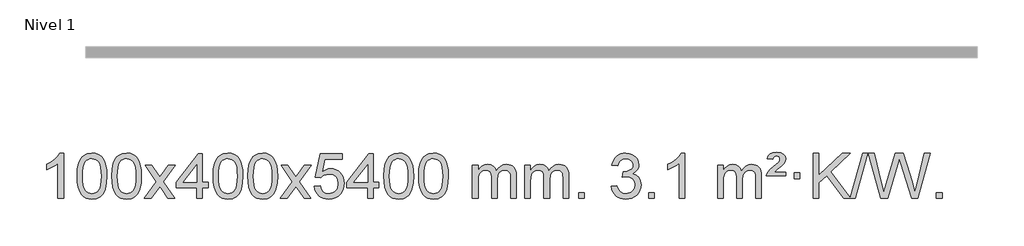
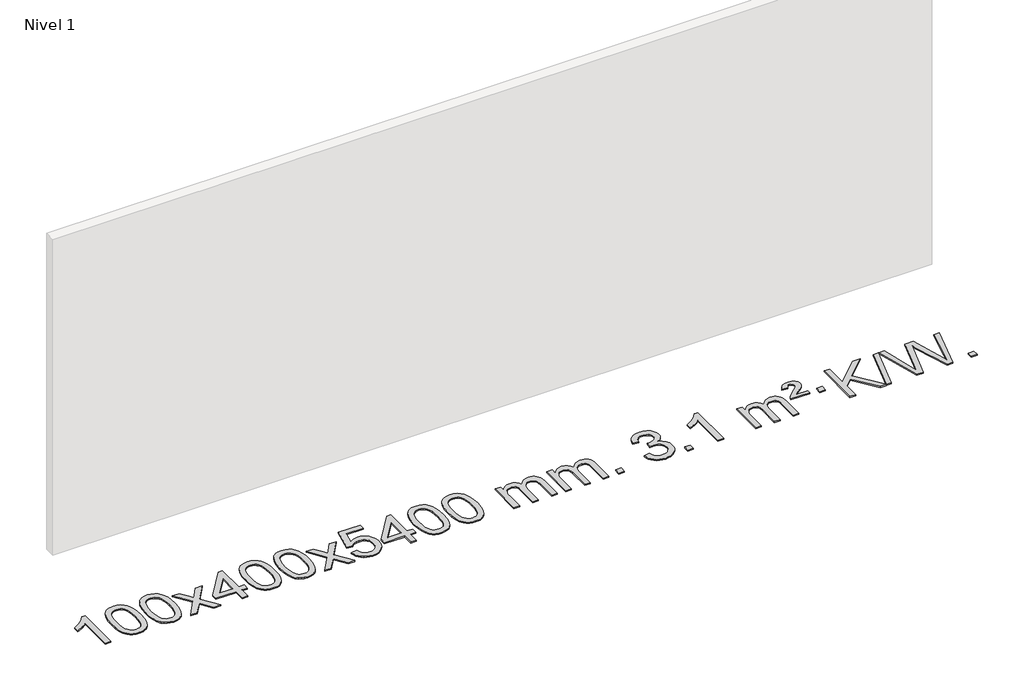
# One storey, part 4 of 18: 1 proxy.
"""IFC4 building model written with IfcOpenShell, lengths in millimetres."""

from ifc_helpers import new_model, si_unit, origin, origin_with_axes, place, context, project, spatial, polyline, outline, extrude, element, save

model = new_model("IFC4")

# Units and contexts
model_context = context("Model", 3, world=origin())
ifc_project = project(units=[si_unit("LENGTHUNIT", "METRE", prefix="MILLI")], contexts=[model_context])

# Site, building, storey
site = spatial("IfcSite", under=ifc_project)
building = spatial("IfcBuilding", under=site)
storey = spatial("IfcBuildingStorey", under=building, Name="Nivel 1", Elevation=0.0)

# Proxy
placement = place(None, origin())
element("IfcBuildingElementProxy", 1, Name="Texto de modelo 1", ObjectType="Texto de modelo 1", at=placement, inside=storey, context=model_context, shape_type="SweptSolid", body=[
    extrude(outline(polyline([(-25875.4615788, -15470.579453), (-25925.6897338, -15470.579453), (-25925.6897338, -15157.4382987), (-25946.6590076, -15174.3976587), (-25973.2691385, -15191.3324932), (-26026.146044, -15216.6918254), (-26026.146044, -15169.2105225), (-25986.6968314, -15147.7507395), (-25952.520594, -15122.219729), (-25925.5793692, -15095.0700378), (-25907.8351943, -15068.7542124), (-25875.4615788, -15068.7542124), (-25875.4615788, -15470.579453)])), origin_with_axes(), (0.0, 0.0, 1.0), 10.0),
    extrude(outline(polyline([(-25756.1697105, -15272.9041943), (-25752.4786278, -15208.5861588), (-25741.4053797, -15157.2911459), (-25723.0603309, -15118.2343407), (-25711.2022679, -15103.0009605), (-25697.5538459, -15090.6309284), (-25682.0690796, -15081.0598651), (-25664.7019837, -15074.2233914), (-25624.3208034, -15068.7542124), (-25593.3696649, -15071.991574), (-25565.6558879, -15081.7036586), (-25542.4793222, -15097.5103217), (-25525.1398175, -15119.0314184), (-25512.0432185, -15146.0830078), (-25501.5953698, -15178.4811488), (-25494.7527647, -15219.6226186), (-25492.4718963, -15272.9041943), (-25496.1261908, -15336.8543477), (-25507.0890743, -15388.0267333), (-25525.3237585, -15427.1203266), (-25537.1542303, -15442.3996922), (-25550.7934553, -15454.8341036), (-25566.2966157, -15464.4695462), (-25583.7188939, -15471.3520052), (-25624.3208034, -15476.8579724), (-25651.9855294, -15474.4667394), (-25676.5109958, -15467.2930405), (-25697.8972024, -15455.3368757), (-25716.1441494, -15438.5982449), (-25733.6553324, -15408.3399508), (-25746.1633202, -15370.6381776), (-25753.6681129, -15325.4929255), (-25756.1697105, -15272.9041943)]), holes=[polyline([(-25705.9415554, -15272.8060924), (-25704.4700274, -15316.4706195), (-25700.0554435, -15351.8148822), (-25692.6978036, -15378.8388804), (-25682.3971077, -15397.5426142), (-25669.9381708, -15410.2682656), (-25656.1058078, -15419.3580165), (-25640.9000186, -15424.8118671), (-25624.3208034, -15426.6298173), (-25607.7415881, -15424.8057357), (-25592.535799, -15419.3334911), (-25578.703436, -15410.2130833), (-25566.2444991, -15397.4445124), (-25555.9438032, -15378.7101217), (-25548.5861633, -15351.6922549), (-25544.1715794, -15316.3909118), (-25542.7000514, -15272.8060924), (-25544.1225284, -15230.2973278), (-25548.3899596, -15195.5753989), (-25555.5023448, -15168.6403055), (-25565.4596842, -15149.4920476), (-25577.7101546, -15136.1440625), (-25591.7019332, -15126.6097875), (-25607.4350198, -15120.8892225), (-25624.9094146, -15118.9823675), (-25641.4027907, -15120.6623619), (-25656.3510624, -15125.7023452), (-25669.7542298, -15134.1023175), (-25681.6122928, -15145.8622786), (-25692.2563452, -15166.708925), (-25699.8592397, -15194.8151094), (-25704.4209765, -15230.1808319), (-25705.9415554, -15272.8060924)])]), origin_with_axes(), (0.0, 0.0, 1.0), 10.0),
    extrude(outline(polyline([(-25448.5222606, -15272.9041943), (-25444.8311779, -15208.5861588), (-25433.7579299, -15157.2911459), (-25415.4128811, -15118.2343407), (-25403.5548181, -15103.0009605), (-25389.9063961, -15090.6309284), (-25374.4216298, -15081.0598651), (-25357.0545339, -15074.2233914), (-25316.6733536, -15068.7542124), (-25285.722215, -15071.991574), (-25258.0084381, -15081.7036586), (-25234.8318724, -15097.5103217), (-25217.4923677, -15119.0314184), (-25204.3957686, -15146.0830078), (-25193.94792, -15178.4811488), (-25187.1053149, -15219.6226186), (-25184.8244465, -15272.9041943), (-25188.478741, -15336.8543477), (-25199.4416244, -15388.0267333), (-25217.6763087, -15427.1203266), (-25229.5067805, -15442.3996922), (-25243.1460055, -15454.8341036), (-25258.6491659, -15464.4695462), (-25276.071444, -15471.3520052), (-25316.6733536, -15476.8579724), (-25344.3380796, -15474.4667394), (-25368.8635459, -15467.2930405), (-25390.2497526, -15455.3368757), (-25408.4966996, -15438.5982449), (-25426.0078825, -15408.3399508), (-25438.5158704, -15370.6381776), (-25446.0206631, -15325.4929255), (-25448.5222606, -15272.9041943)]), holes=[polyline([(-25398.2941056, -15272.8060924), (-25396.8225776, -15316.4706195), (-25392.4079936, -15351.8148822), (-25385.0503537, -15378.8388804), (-25374.7496579, -15397.5426142), (-25362.290721, -15410.2682656), (-25348.4583579, -15419.3580165), (-25333.2525688, -15424.8118671), (-25316.6733536, -15426.6298173), (-25300.0941383, -15424.8057357), (-25284.8883492, -15419.3334911), (-25271.0559862, -15410.2130833), (-25258.5970493, -15397.4445124), (-25248.2963534, -15378.7101217), (-25240.9387135, -15351.6922549), (-25236.5241295, -15316.3909118), (-25235.0526016, -15272.8060924), (-25236.4750786, -15230.2973278), (-25240.7425098, -15195.5753989), (-25247.854895, -15168.6403055), (-25257.8122343, -15149.4920476), (-25270.0627048, -15136.1440625), (-25284.0544833, -15126.6097875), (-25299.78757, -15120.8892225), (-25317.2619648, -15118.9823675), (-25333.7553409, -15120.6623619), (-25348.7036126, -15125.7023452), (-25362.10678, -15134.1023175), (-25373.9648429, -15145.8622786), (-25384.6088953, -15166.708925), (-25392.2117899, -15194.8151094), (-25396.7735266, -15230.1808319), (-25398.2941056, -15272.8060924)])]), origin_with_axes(), (0.0, 0.0, 1.0), 10.0),
    extrude(outline(polyline([(-25159.7103689, -15470.579453), (-25052.3869282, -15322.2494325), (-25153.4318496, -15175.4890419), (-25093.0011005, -15175.4890419), (-25044.2444734, -15246.122385), (-25021.4848406, -15279.4770192), (-25001.7663657, -15252.2047007), (-24946.2407099, -15175.4890419), (-24885.8099608, -15175.4890419), (-24991.9561791, -15322.2494325), (-24889.7340354, -15470.579453), (-24950.1647845, -15470.579453), (-25011.6746541, -15381.4048574), (-25022.9563686, -15365.1199477), (-25099.2796199, -15470.579453), (-25159.7103689, -15470.579453)])), origin_with_axes(), (0.0, 0.0, 1.0), 10.0),
    extrude(outline(polyline([(-24695.0999345, -15470.579453), (-24695.0999345, -15376.4016622), (-24877.1769967, -15376.4016622), (-24877.1769967, -15326.1735072), (-24682.5428957, -15075.0327318), (-24644.8717794, -15075.0327318), (-24644.8717794, -15326.1735072), (-24594.6436244, -15326.1735072), (-24594.6436244, -15376.4016622), (-24644.8717794, -15376.4016622), (-24644.8717794, -15470.579453), (-24695.0999345, -15470.579453)]), holes=[polyline([(-24695.0999345, -15326.1735072), (-24695.0999345, -15170.9763561), (-24815.3728215, -15326.1735072), (-24695.0999345, -15326.1735072)])]), origin_with_axes(), (0.0, 0.0, 1.0), 10.0),
    extrude(outline(polyline([(-24550.6939887, -15272.9041943), (-24547.002906, -15208.5861588), (-24535.9296579, -15157.2911459), (-24517.5846091, -15118.2343407), (-24505.7265461, -15103.0009605), (-24492.0781241, -15090.6309284), (-24476.5933578, -15081.0598651), (-24459.2262619, -15074.2233914), (-24418.8450816, -15068.7542124), (-24387.8939431, -15071.991574), (-24360.1801661, -15081.7036586), (-24337.0036004, -15097.5103217), (-24319.6640957, -15119.0314184), (-24306.5674967, -15146.0830078), (-24296.119648, -15178.4811488), (-24289.2770429, -15219.6226186), (-24286.9961745, -15272.9041943), (-24290.650469, -15336.8543477), (-24301.6133525, -15388.0267333), (-24319.8480367, -15427.1203266), (-24331.6785085, -15442.3996922), (-24345.3177335, -15454.8341036), (-24360.8208939, -15464.4695462), (-24378.2431721, -15471.3520052), (-24418.8450816, -15476.8579724), (-24446.5098076, -15474.4667394), (-24471.035274, -15467.2930405), (-24492.4214806, -15455.3368757), (-24510.6684276, -15438.5982449), (-24528.1796106, -15408.3399508), (-24540.6875984, -15370.6381776), (-24548.1923911, -15325.4929255), (-24550.6939887, -15272.9041943)]), holes=[polyline([(-24500.4658336, -15272.8060924), (-24498.9943056, -15316.4706195), (-24494.5797217, -15351.8148822), (-24487.2220818, -15378.8388804), (-24476.9213859, -15397.5426142), (-24464.462449, -15410.2682656), (-24450.630086, -15419.3580165), (-24435.4242968, -15424.8118671), (-24418.8450816, -15426.6298173), (-24402.2658663, -15424.8057357), (-24387.0600772, -15419.3334911), (-24373.2277142, -15410.2130833), (-24360.7687773, -15397.4445124), (-24350.4680814, -15378.7101217), (-24343.1104415, -15351.6922549), (-24338.6958576, -15316.3909118), (-24337.2243296, -15272.8060924), (-24338.6468066, -15230.2973278), (-24342.9142378, -15195.5753989), (-24350.026623, -15168.6403055), (-24359.9839624, -15149.4920476), (-24372.2344328, -15136.1440625), (-24386.2262114, -15126.6097875), (-24401.959298, -15120.8892225), (-24419.4336928, -15118.9823675), (-24435.9270689, -15120.6623619), (-24450.8753406, -15125.7023452), (-24464.278508, -15134.1023175), (-24476.136571, -15145.8622786), (-24486.7806234, -15166.708925), (-24494.3835179, -15194.8151094), (-24498.9452547, -15230.1808319), (-24500.4658336, -15272.8060924)])]), origin_with_axes(), (0.0, 0.0, 1.0), 10.0),
    extrude(outline(polyline([(-24243.0465388, -15272.9041943), (-24239.3554561, -15208.5861588), (-24228.2822081, -15157.2911459), (-24209.9371593, -15118.2343407), (-24198.0790963, -15103.0009605), (-24184.4306743, -15090.6309284), (-24168.945908, -15081.0598651), (-24151.5788121, -15074.2233914), (-24111.1976318, -15068.7542124), (-24080.2464932, -15071.991574), (-24052.5327163, -15081.7036586), (-24029.3561506, -15097.5103217), (-24012.0166459, -15119.0314184), (-23998.9200468, -15146.0830078), (-23988.4721982, -15178.4811488), (-23981.6295931, -15219.6226186), (-23979.3487247, -15272.9041943), (-23983.0030192, -15336.8543477), (-23993.9659026, -15388.0267333), (-24012.2005869, -15427.1203266), (-24024.0310587, -15442.3996922), (-24037.6702837, -15454.8341036), (-24053.1734441, -15464.4695462), (-24070.5957222, -15471.3520052), (-24111.1976318, -15476.8579724), (-24138.8623578, -15474.4667394), (-24163.3878241, -15467.2930405), (-24184.7740308, -15455.3368757), (-24203.0209778, -15438.5982449), (-24220.5321607, -15408.3399508), (-24233.0401486, -15370.6381776), (-24240.5449413, -15325.4929255), (-24243.0465388, -15272.9041943)]), holes=[polyline([(-24192.8183838, -15272.8060924), (-24191.3468558, -15316.4706195), (-24186.9322718, -15351.8148822), (-24179.5746319, -15378.8388804), (-24169.2739361, -15397.5426142), (-24156.8149992, -15410.2682656), (-24142.9826361, -15419.3580165), (-24127.776847, -15424.8118671), (-24111.1976318, -15426.6298173), (-24094.6184165, -15424.8057357), (-24079.4126274, -15419.3334911), (-24065.5802644, -15410.2130833), (-24053.1213275, -15397.4445124), (-24042.8206316, -15378.7101217), (-24035.4629917, -15351.6922549), (-24031.0484077, -15316.3909118), (-24029.5768798, -15272.8060924), (-24030.9993568, -15230.2973278), (-24035.266788, -15195.5753989), (-24042.3791732, -15168.6403055), (-24052.3365125, -15149.4920476), (-24064.586983, -15136.1440625), (-24078.5787615, -15126.6097875), (-24094.3118482, -15120.8892225), (-24111.786243, -15118.9823675), (-24128.2796191, -15120.6623619), (-24143.2278908, -15125.7023452), (-24156.6310582, -15134.1023175), (-24168.4891211, -15145.8622786), (-24179.1331735, -15166.708925), (-24186.7360681, -15194.8151094), (-24191.2978048, -15230.1808319), (-24192.8183838, -15272.8060924)])]), origin_with_axes(), (0.0, 0.0, 1.0), 10.0),
    extrude(outline(polyline([(-23954.2346472, -15470.579453), (-23846.9112064, -15322.2494325), (-23947.9561278, -15175.4890419), (-23887.5253787, -15175.4890419), (-23838.7687516, -15246.122385), (-23816.0091188, -15279.4770192), (-23796.2906439, -15252.2047007), (-23740.7649881, -15175.4890419), (-23680.334239, -15175.4890419), (-23786.4804574, -15322.2494325), (-23684.2583136, -15470.579453), (-23744.6890627, -15470.579453), (-23806.1989323, -15381.4048574), (-23817.4806468, -15365.1199477), (-23893.8038981, -15470.579453), (-23954.2346472, -15470.579453)])), origin_with_axes(), (0.0, 0.0, 1.0), 10.0),
    extrude(outline(polyline([(-23652.8657167, -15363.8446235), (-23602.6375616, -15357.5661041), (-23593.4159863, -15387.7201649), (-23577.3272804, -15409.3148381), (-23554.4450203, -15422.3010725), (-23524.8427824, -15426.6298173), (-23505.7129186, -15425.1245668), (-23488.8393978, -15420.6088153), (-23474.2222198, -15413.0825628), (-23461.8613848, -15402.5458094), (-23452.0328042, -15389.519721), (-23445.0123894, -15374.5254641), (-23439.3960576, -15338.6324441), (-23444.6567702, -15304.8363514), (-23451.2326608, -15290.9181493), (-23460.4389078, -15278.9865099), (-23472.3061678, -15269.4154467), (-23486.8650977, -15262.5789729), (-23524.0579675, -15257.1097939), (-23548.4240183, -15259.2925604), (-23568.1547559, -15265.8408599), (-23583.9123681, -15275.8717757), (-23596.3590422, -15288.5023908), (-23646.5871973, -15282.2238715), (-23602.6375616, -15075.0327318), (-23408.0034607, -15075.0327318), (-23408.0034607, -15125.2608869), (-23562.0233894, -15125.2608869), (-23583.5076979, -15235.919791), (-23565.7819171, -15223.2155994), (-23547.6269406, -15214.1411769), (-23529.0427685, -15208.6965234), (-23510.0294007, -15206.8816388), (-23485.5683137, -15209.1318504), (-23463.0999209, -15215.882485), (-23442.6242221, -15227.1335427), (-23424.1412176, -15242.8850234), (-23408.8403923, -15262.1743027), (-23397.9112313, -15284.038756), (-23391.3537348, -15308.4783832), (-23389.1679026, -15335.4931844), (-23391.1360712, -15361.5147042), (-23397.0405773, -15385.7213394), (-23406.8814206, -15408.1130902), (-23420.6586013, -15428.6899565), (-23441.5297732, -15449.7634634), (-23465.8835613, -15464.8159684), (-23493.7199656, -15473.8474714), (-23525.0389861, -15476.8579724), (-23550.9593384, -15474.9235262), (-23574.3719617, -15469.1201877), (-23595.276856, -15459.447957), (-23613.6740215, -15445.9068338), (-23628.9809782, -15429.1712688), (-23640.6152463, -15409.915712), (-23648.5768258, -15388.1401636), (-23652.8657167, -15363.8446235)])), origin_with_axes(), (0.0, 0.0, 1.0), 10.0),
    extrude(outline(polyline([(-23181.9767629, -15470.579453), (-23181.9767629, -15376.4016622), (-23364.053825, -15376.4016622), (-23364.053825, -15326.1735072), (-23169.4197241, -15075.0327318), (-23131.7486078, -15075.0327318), (-23131.7486078, -15326.1735072), (-23081.5204527, -15326.1735072), (-23081.5204527, -15376.4016622), (-23131.7486078, -15376.4016622), (-23131.7486078, -15470.579453), (-23181.9767629, -15470.579453)]), holes=[polyline([(-23181.9767629, -15326.1735072), (-23181.9767629, -15170.9763561), (-23302.2496498, -15326.1735072), (-23181.9767629, -15326.1735072)])]), origin_with_axes(), (0.0, 0.0, 1.0), 10.0),
    extrude(outline(polyline([(-23037.570817, -15272.9041943), (-23033.8797344, -15208.5861588), (-23022.8064863, -15157.2911459), (-23004.4614375, -15118.2343407), (-22992.6033745, -15103.0009605), (-22978.9549525, -15090.6309284), (-22963.4701862, -15081.0598651), (-22946.1030903, -15074.2233914), (-22905.72191, -15068.7542124), (-22874.7707714, -15071.991574), (-22847.0569945, -15081.7036586), (-22823.8804288, -15097.5103217), (-22806.5409241, -15119.0314184), (-22793.444325, -15146.0830078), (-22782.9964764, -15178.4811488), (-22776.1538713, -15219.6226186), (-22773.8730029, -15272.9041943), (-22777.5272974, -15336.8543477), (-22788.4901808, -15388.0267333), (-22806.7248651, -15427.1203266), (-22818.5553369, -15442.3996922), (-22832.1945619, -15454.8341036), (-22847.6977223, -15464.4695462), (-22865.1200004, -15471.3520052), (-22905.72191, -15476.8579724), (-22933.386636, -15474.4667394), (-22957.9121024, -15467.2930405), (-22979.298309, -15455.3368757), (-22997.545256, -15438.5982449), (-23015.0564389, -15408.3399508), (-23027.5644268, -15370.6381776), (-23035.0692195, -15325.4929255), (-23037.570817, -15272.9041943)]), holes=[polyline([(-22987.342662, -15272.8060924), (-22985.871134, -15316.4706195), (-22981.45655, -15351.8148822), (-22974.0989101, -15378.8388804), (-22963.7982143, -15397.5426142), (-22951.3392774, -15410.2682656), (-22937.5069144, -15419.3580165), (-22922.3011252, -15424.8118671), (-22905.72191, -15426.6298173), (-22889.1426947, -15424.8057357), (-22873.9369056, -15419.3334911), (-22860.1045426, -15410.2130833), (-22847.6456057, -15397.4445124), (-22837.3449098, -15378.7101217), (-22829.9872699, -15351.6922549), (-22825.572686, -15316.3909118), (-22824.101158, -15272.8060924), (-22825.523635, -15230.2973278), (-22829.7910662, -15195.5753989), (-22836.9034514, -15168.6403055), (-22846.8607907, -15149.4920476), (-22859.1112612, -15136.1440625), (-22873.1030397, -15126.6097875), (-22888.8361264, -15120.8892225), (-22906.3105212, -15118.9823675), (-22922.8038973, -15120.6623619), (-22937.752169, -15125.7023452), (-22951.1553364, -15134.1023175), (-22963.0133993, -15145.8622786), (-22973.6574517, -15166.708925), (-22981.2603463, -15194.8151094), (-22985.8220831, -15230.1808319), (-22987.342662, -15272.8060924)])]), origin_with_axes(), (0.0, 0.0, 1.0), 10.0),
    extrude(outline(polyline([(-22729.9233672, -15272.9041943), (-22726.2322845, -15208.5861588), (-22715.1590365, -15157.2911459), (-22696.8139876, -15118.2343407), (-22684.9559247, -15103.0009605), (-22671.3075026, -15090.6309284), (-22655.8227363, -15081.0598651), (-22638.4556405, -15074.2233914), (-22598.0744601, -15068.7542124), (-22567.1233216, -15071.991574), (-22539.4095446, -15081.7036586), (-22516.2329789, -15097.5103217), (-22498.8934742, -15119.0314184), (-22485.7968752, -15146.0830078), (-22475.3490265, -15178.4811488), (-22468.5064214, -15219.6226186), (-22466.2255531, -15272.9041943), (-22469.8798475, -15336.8543477), (-22480.842731, -15388.0267333), (-22499.0774152, -15427.1203266), (-22510.9078871, -15442.3996922), (-22524.547112, -15454.8341036), (-22540.0502724, -15464.4695462), (-22557.4725506, -15471.3520052), (-22598.0744601, -15476.8579724), (-22625.7391862, -15474.4667394), (-22650.2646525, -15467.2930405), (-22671.6508592, -15455.3368757), (-22689.8978061, -15438.5982449), (-22707.4089891, -15408.3399508), (-22719.9169769, -15370.6381776), (-22727.4217696, -15325.4929255), (-22729.9233672, -15272.9041943)]), holes=[polyline([(-22679.6952121, -15272.8060924), (-22678.2236842, -15316.4706195), (-22673.8091002, -15351.8148822), (-22666.4514603, -15378.8388804), (-22656.1507644, -15397.5426142), (-22643.6918275, -15410.2682656), (-22629.8594645, -15419.3580165), (-22614.6536754, -15424.8118671), (-22598.0744601, -15426.6298173), (-22581.4952449, -15424.8057357), (-22566.2894558, -15419.3334911), (-22552.4570927, -15410.2130833), (-22539.9981558, -15397.4445124), (-22529.69746, -15378.7101217), (-22522.3398201, -15351.6922549), (-22517.9252361, -15316.3909118), (-22516.4537081, -15272.8060924), (-22517.8761852, -15230.2973278), (-22522.1436163, -15195.5753989), (-22529.2560016, -15168.6403055), (-22539.2133409, -15149.4920476), (-22551.4638113, -15136.1440625), (-22565.4555899, -15126.6097875), (-22581.1886766, -15120.8892225), (-22598.6630713, -15118.9823675), (-22615.1564474, -15120.6623619), (-22630.1047192, -15125.7023452), (-22643.5078865, -15134.1023175), (-22655.3659495, -15145.8622786), (-22666.0100019, -15166.708925), (-22673.6128965, -15194.8151094), (-22678.1746332, -15230.1808319), (-22679.6952121, -15272.8060924)])]), origin_with_axes(), (0.0, 0.0, 1.0), 10.0),
    extrude(outline(polyline([(-22252.755894, -15470.579453), (-22252.755894, -15175.4890419), (-22202.5277389, -15175.4890419), (-22202.5277389, -15224.0494653), (-22187.4200517, -15201.7435536), (-22167.9958823, -15184.2691589), (-22144.9174185, -15172.9751816), (-22118.8468478, -15169.2105225), (-22090.9123416, -15173.048758), (-22068.5205908, -15184.5634645), (-22051.7942228, -15202.9943524), (-22040.8558648, -15227.5811324), (-22022.5476041, -15202.0439906), (-22001.6641696, -15183.803175), (-21978.205561, -15172.8586857), (-21952.1717785, -15169.2105225), (-21932.0639617, -15170.7280358), (-21914.414823, -15175.2805755), (-21899.2243623, -15182.8681416), (-21886.4925796, -15193.4907342), (-21876.4279413, -15207.2709806), (-21869.238914, -15224.3315082), (-21864.9254976, -15244.6723168), (-21863.4876922, -15268.2934066), (-21863.4876922, -15470.579453), (-21913.7158472, -15470.579453), (-21913.7158472, -15289.875817), (-21914.8808069, -15264.8230531), (-21918.3756858, -15247.9372695), (-21924.9239854, -15236.3735121), (-21935.2492067, -15227.2868268), (-21948.5297467, -15221.4007149), (-21963.9440023, -15219.4386776), (-21991.1550072, -15224.4663982), (-22013.3382915, -15239.54956), (-22021.9436645, -15251.1194488), (-22028.0903595, -15265.7182326), (-22033.0077155, -15304.0024856), (-22033.0077155, -15470.579453), (-22083.2358706, -15470.579453), (-22083.2358706, -15284.2840106), (-22086.1421384, -15255.8835206), (-22094.8609417, -15235.6254854), (-22110.2016209, -15223.4853796), (-22132.9735164, -15219.4386776), (-22152.3241093, -15222.1364789), (-22170.1541233, -15230.2298828), (-22184.8694032, -15243.5226856), (-22194.8757934, -15261.8186835), (-22200.6147525, -15287.2025411), (-22202.5277389, -15321.7589232), (-22202.5277389, -15470.579453), (-22252.755894, -15470.579453)])), origin_with_axes(), (0.0, 0.0, 1.0), 10.0),
    extrude(outline(polyline([(-21788.1454596, -15470.579453), (-21788.1454596, -15175.4890419), (-21737.9173045, -15175.4890419), (-21737.9173045, -15224.0494653), (-21722.8096172, -15201.7435536), (-21703.3854479, -15184.2691589), (-21680.306984, -15172.9751816), (-21654.2364133, -15169.2105225), (-21626.3019071, -15173.048758), (-21603.9101564, -15184.5634645), (-21587.1837883, -15202.9943524), (-21576.2454303, -15227.5811324), (-21557.9371697, -15202.0439906), (-21537.0537351, -15183.803175), (-21513.5951266, -15172.8586857), (-21487.561344, -15169.2105225), (-21467.4535273, -15170.7280358), (-21449.8043886, -15175.2805755), (-21434.6139279, -15182.8681416), (-21421.8821452, -15193.4907342), (-21411.8175069, -15207.2709806), (-21404.6284796, -15224.3315082), (-21400.3150632, -15244.6723168), (-21398.8772577, -15268.2934066), (-21398.8772577, -15470.579453), (-21449.1054128, -15470.579453), (-21449.1054128, -15289.875817), (-21450.2703724, -15264.8230531), (-21453.7652514, -15247.9372695), (-21460.3135509, -15236.3735121), (-21470.6387722, -15227.2868268), (-21483.9193123, -15221.4007149), (-21499.3335679, -15219.4386776), (-21526.5445728, -15224.4663982), (-21548.7278571, -15239.54956), (-21557.3332301, -15251.1194488), (-21563.4799251, -15265.7182326), (-21568.3972811, -15304.0024856), (-21568.3972811, -15470.579453), (-21618.6254362, -15470.579453), (-21618.6254362, -15284.2840106), (-21621.5317039, -15255.8835206), (-21630.2505072, -15235.6254854), (-21645.5911864, -15223.4853796), (-21668.3630819, -15219.4386776), (-21687.7136749, -15222.1364789), (-21705.5436889, -15230.2298828), (-21720.2589687, -15243.5226856), (-21730.265359, -15261.8186835), (-21736.0043181, -15287.2025411), (-21737.9173045, -15321.7589232), (-21737.9173045, -15470.579453), (-21788.1454596, -15470.579453)])), origin_with_axes(), (0.0, 0.0, 1.0), 10.0),
    extrude(outline(polyline([(-21310.9779863, -15470.579453), (-21310.9779863, -15420.3512979), (-21260.7498313, -15420.3512979), (-21260.7498313, -15470.579453), (-21310.9779863, -15470.579453)])), origin_with_axes(), (0.0, 0.0, 1.0), 10.0),
    extrude(outline(polyline([(-21022.1660947, -15363.8446235), (-20971.9379396, -15357.5661041), (-20960.6930133, -15389.1303793), (-20944.2241626, -15410.4430095), (-20921.7220472, -15422.5831154), (-20892.3773268, -15426.6298173), (-20857.943572, -15421.0625364), (-20843.6697506, -15414.1034354), (-20831.3579665, -15404.3606939), (-20814.3618183, -15379.4428201), (-20808.6964356, -15349.2274455), (-20814.3127674, -15320.5449126), (-20831.1617628, -15297.2825078), (-20856.6682478, -15281.8682522), (-20888.2570484, -15276.730167), (-20923.4756181, -15282.2238715), (-20917.8838118, -15231.9957164), (-20909.8394588, -15232.5843276), (-20879.7467116, -15228.979084), (-20852.842275, -15218.1633534), (-20841.769027, -15209.9841103), (-20833.8595641, -15199.8673555), (-20829.1138863, -15187.8130888), (-20827.5319937, -15173.8213102), (-20832.118256, -15152.1285352), (-20845.8770426, -15134.5315131), (-20866.8708418, -15122.8696539), (-20893.1621417, -15118.9823675), (-20919.5024925, -15122.9064421), (-20941.035852, -15134.6786659), (-20956.7566759, -15154.299039), (-20965.6594202, -15181.7675613), (-21015.8875753, -15175.4890419), (-21009.9340183, -15151.5092672), (-21001.0987191, -15130.3867093), (-20989.3816775, -15112.1213683), (-20974.7828937, -15096.713244), (-20957.76222, -15084.4811677), (-20938.7795091, -15075.7439703), (-20917.8347608, -15070.5016519), (-20894.9279753, -15068.7542124), (-20863.3514373, -15072.2000404), (-20834.3500734, -15082.5375245), (-20809.8981834, -15098.8469596), (-20791.9700675, -15120.2086408), (-20780.9703959, -15144.8199463), (-20777.3038387, -15170.8782543), (-20780.7864549, -15195.1584659), (-20791.2343036, -15217.1823347), (-20808.5002319, -15235.9443165), (-20832.437087, -15250.4388671), (-20800.9954392, -15263.1430586), (-20777.6962461, -15284.77452), (-20763.2752719, -15314.1560286), (-20758.4682805, -15350.1103623), (-20760.8717762, -15375.5923218), (-20768.0822633, -15399.0631931), (-20780.0997418, -15420.5229762), (-20796.9242117, -15439.971671), (-20817.4213702, -15456.1094278), (-20840.4569145, -15467.636397), (-20866.0308445, -15474.5525785), (-20894.1431603, -15476.8579724), (-20919.5515435, -15474.8898037), (-20942.7035837, -15468.9852977), (-20963.599281, -15459.1444543), (-20982.2386355, -15445.3672736), (-20997.8674889, -15428.4630959), (-21009.7316832, -15409.2412617), (-21017.8312185, -15387.7017708), (-21022.1660947, -15363.8446235)])), origin_with_axes(), (0.0, 0.0, 1.0), 10.0),
    extrude(outline(polyline([(-20689.4045673, -15470.579453), (-20689.4045673, -15420.3512979), (-20639.1764122, -15420.3512979), (-20639.1764122, -15470.579453), (-20689.4045673, -15470.579453)])), origin_with_axes(), (0.0, 0.0, 1.0), 10.0),
    extrude(outline(polyline([(-20369.2000787, -15470.579453), (-20419.4282338, -15470.579453), (-20419.4282338, -15157.4382987), (-20440.3975075, -15174.3976587), (-20467.0076385, -15191.3324932), (-20519.8845439, -15216.6918254), (-20519.8845439, -15169.2105225), (-20480.4353313, -15147.7507395), (-20446.2590939, -15122.219729), (-20419.3178692, -15095.0700378), (-20401.5736943, -15068.7542124), (-20369.2000787, -15068.7542124), (-20369.2000787, -15470.579453)])), origin_with_axes(), (0.0, 0.0, 1.0), 10.0),
    extrude(outline(polyline([(-20080.388187, -15470.579453), (-20080.388187, -15175.4890419), (-20030.1600319, -15175.4890419), (-20030.1600319, -15224.0494653), (-20015.0523447, -15201.7435536), (-19995.6281753, -15184.2691589), (-19972.5497115, -15172.9751816), (-19946.4791408, -15169.2105225), (-19918.5446346, -15173.048758), (-19896.1528838, -15184.5634645), (-19879.4265158, -15202.9943524), (-19868.4881578, -15227.5811324), (-19850.1798972, -15202.0439906), (-19829.2964626, -15183.803175), (-19805.837854, -15172.8586857), (-19779.8040715, -15169.2105225), (-19759.6962548, -15170.7280358), (-19742.047116, -15175.2805755), (-19726.8566553, -15182.8681416), (-19714.1248726, -15193.4907342), (-19704.0602344, -15207.2709806), (-19696.871207, -15224.3315082), (-19692.5577906, -15244.6723168), (-19691.1199852, -15268.2934066), (-19691.1199852, -15470.579453), (-19741.3481403, -15470.579453), (-19741.3481403, -15289.875817), (-19742.5130999, -15264.8230531), (-19746.0079789, -15247.9372695), (-19752.5562784, -15236.3735121), (-19762.8814997, -15227.2868268), (-19776.1620397, -15221.4007149), (-19791.5762953, -15219.4386776), (-19818.7873002, -15224.4663982), (-19840.9705845, -15239.54956), (-19849.5759576, -15251.1194488), (-19855.7226526, -15265.7182326), (-19860.6400086, -15304.0024856), (-19860.6400086, -15470.579453), (-19910.8681636, -15470.579453), (-19910.8681636, -15284.2840106), (-19913.7744314, -15255.8835206), (-19922.4932347, -15235.6254854), (-19937.8339139, -15223.4853796), (-19960.6058094, -15219.4386776), (-19979.9564023, -15222.1364789), (-19997.7864164, -15230.2298828), (-20012.5016962, -15243.5226856), (-20022.5080864, -15261.8186835), (-20028.2470456, -15287.2025411), (-20030.1600319, -15321.7589232), (-20030.1600319, -15470.579453), (-20080.388187, -15470.579453)])), origin_with_axes(), (0.0, 0.0, 1.0), 10.0),
    extrude(outline(polyline([(-19647.1703495, -15269.6668327), (-19643.3443767, -15253.8479069), (-19635.0057182, -15237.9799302), (-19613.4968842, -15212.8413272), (-19581.5402016, -15185.1030247), (-19537.3943621, -15147.726214), (-19530.2574514, -15136.1992448), (-19527.8784812, -15124.3779701), (-19529.7669421, -15112.2869152), (-19535.4323248, -15102.5012541), (-19544.801053, -15096.026531), (-19557.7995501, -15093.8682899), (-19570.2339616, -15095.4869707), (-19579.0876549, -15100.343013), (-19585.5133271, -15109.8098431), (-19590.663675, -15125.2608869), (-19640.8918301, -15118.9823675), (-19630.051574, -15093.7701881), (-19613.4233078, -15076.2099542), (-19589.6581309, -15065.9092583), (-19557.4071427, -15062.475693), (-19521.6244873, -15066.6082341), (-19496.8782917, -15079.0058573), (-19482.4573175, -15097.3386434), (-19477.6503261, -15119.2766731), (-19481.746079, -15142.1834586), (-19494.0333376, -15163.8149199), (-19514.561153, -15183.6314968), (-19551.0305214, -15211.6886303), (-19576.6351083, -15238.2742358), (-19477.6503261, -15238.2742358), (-19477.6503261, -15269.6668327), (-19647.1703495, -15269.6668327)])), origin_with_axes(), (0.0, 0.0, 1.0), 10.0),
    extrude(outline(polyline([(-19402.3080935, -15294.7809102), (-19402.3080935, -15244.5527552), (-19352.0799384, -15244.5527552), (-19352.0799384, -15294.7809102), (-19402.3080935, -15294.7809102)])), origin_with_axes(), (0.0, 0.0, 1.0), 10.0),
    extrude(outline(polyline([(-18961.4383105, -15470.579453), (-19114.8696279, -15267.9009991), (-19182.559915, -15332.4520265), (-19182.559915, -15470.579453), (-19232.7880701, -15470.579453), (-19232.7880701, -15068.7542124), (-19182.559915, -15068.7542124), (-19182.559915, -15265.4484525), (-18976.5459977, -15068.7542124), (-18906.3050621, -15068.7542124), (-19079.2586508, -15233.9577537), (-18904.6050409, -15464.5349332), (-18793.2917132, -15068.7542124), (-18747.9686514, -15068.7542124), (-18860.9820003, -15470.579453), (-18900.0265428, -15470.579453), (-18906.3050621, -15470.579453), (-18961.4383105, -15470.579453)])), origin_with_axes(), (0.0, 0.0, 1.0), 10.0),
    extrude(outline(polyline([(-18633.4837745, -15470.579453), (-18743.0635581, -15068.7542124), (-18691.2657732, -15068.7542124), (-18627.6957645, -15332.844434), (-18608.0753914, -15414.3670841), (-18587.0815922, -15342.2622131), (-18507.4228775, -15068.7542124), (-18432.7673579, -15068.7542124), (-18374.8872574, -15267.0180823), (-18350.0920109, -15340.5944814), (-18331.8205385, -15414.3670841), (-18312.7887766, -15335.1988788), (-18248.6301566, -15068.7542124), (-18196.8323717, -15068.7542124), (-18306.5102572, -15470.579453), (-18360.1719776, -15470.579453), (-18456.5080094, -15160.5775584), (-18469.9479649, -15117.3146358), (-18485.0556522, -15169.4067263), (-18572.8568217, -15470.579453), (-18633.4837745, -15470.579453)])), origin_with_axes(), (0.0, 0.0, 1.0), 10.0),
    extrude(outline(polyline([(-18140.3256972, -15470.579453), (-18140.3256972, -15420.3512979), (-18090.0975422, -15420.3512979), (-18090.0975422, -15470.579453), (-18140.3256972, -15470.579453)])), origin_with_axes(), (0.0, 0.0, 1.0), 10.0),
])

save(model, "model.ifc")
